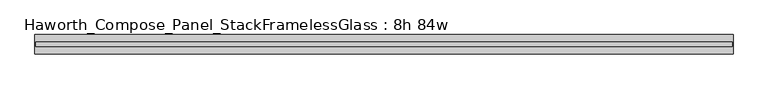
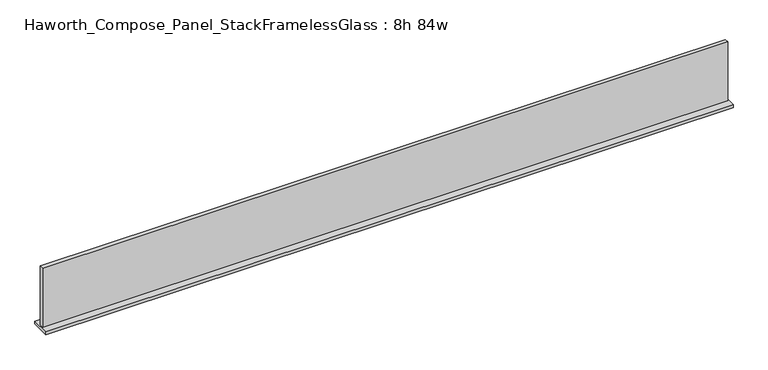
"""IFC4 building model written with IfcOpenShell, lengths in millimetres: furniture geometry, Haworth_Compose_Panel_StackFramelessGlass : 8h 84w."""

from ifc_helpers import new_model, si_unit, frame, origin, place, context, project, spatial, polyline, outline, extrude, source, transform, mapped, element, save


def haworth_compose_panel_stackframelessglass_8h_84w_97681693(model_context):
    return source(origin(), model_context, "Body", "SweptSolid", [
        extrude(outline(polyline([(1066.0652902, -27.3093594), (-1061.1847098, -27.3093594), (-1061.1847098, -14.6093594), (1066.0652902, -14.6093594), (1066.0652902, -27.3093594)])), frame((0.0, 0.0, 1279.525), z_axis=(0.0, 0.0, 1.0), x_axis=(1.0, 0.0, 0.0)), (0.0, 0.0, 1.0), 193.675),
        extrude(outline(polyline([(-1064.3597098, -50.3281094), (-1064.3597098, 8.4093906), (1069.2402902, 8.4093906), (1069.2402902, -50.3281094), (-1064.3597098, -50.3281094)])), frame((0.0, 0.0, 1270.0), z_axis=(0.0, 0.0, 1.0), x_axis=(1.0, 0.0, 0.0)), (0.0, 0.0, 1.0), 9.525),
    ])


if __name__ == "__main__":
    model = new_model("IFC4")
    model_context = context("Model", 3, world=origin())
    ifc_project = project(units=[si_unit("LENGTHUNIT", "METRE", prefix="MILLI")], contexts=[model_context])
    site = spatial("IfcSite", under=ifc_project)
    building = spatial("IfcBuilding", under=site)
    placement = place(None, origin())
    haworth_compose_panel_stackframelessglass_8h_84w_shape = haworth_compose_panel_stackframelessglass_8h_84w_97681693(model_context)
    element("IfcFurniture", 1, ObjectType="Haworth_Compose_Panel_StackFramelessGlass : 8h 84w", at=placement, inside=building, context=model_context, shape_type="MappedRepresentation", body=[
        mapped(haworth_compose_panel_stackframelessglass_8h_84w_shape, transform((0.0, 0.0, 0.0), x_axis=(1.0, 0.0, 0.0), y_axis=(0.0, 1.0, 0.0), z_axis=(0.0, 0.0, 1.0))),
    ])
    save(model, "model.ifc")
